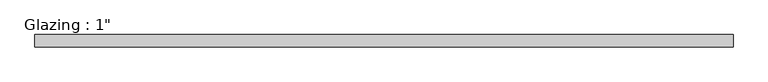
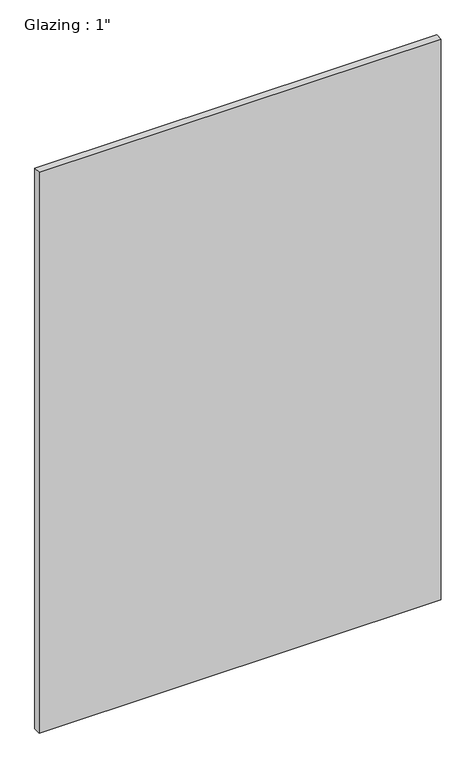
"""IFC4 building model written with IfcOpenShell, lengths in millimetres: plate geometry."""

from ifc_helpers import new_model, si_unit, origin, origin_with_axes, place, context, project, spatial, polyline, outline, extrude, source, transform, mapped, element, save


def plate_ad7f4a11(model_context):
    return source(origin(), model_context, "Body", "SweptSolid", [
        extrude(outline(polyline([(710.632433, -12.7), (-710.632433, -12.7), (-710.632433, 12.7), (710.632433, 12.7), (710.632433, -12.7)])), origin_with_axes(), (0.0, 0.0, 1.0), 2094.5430277),
    ])


if __name__ == "__main__":
    model = new_model("IFC4")
    model_context = context("Model", 3, world=origin())
    ifc_project = project(units=[si_unit("LENGTHUNIT", "METRE", prefix="MILLI")], contexts=[model_context])
    site = spatial("IfcSite", under=ifc_project)
    building = spatial("IfcBuilding", under=site)
    placement = place(None, origin())
    plate_shape = plate_ad7f4a11(model_context)
    element("IfcPlate", 1, ObjectType="Glazing : 1\"", at=placement, inside=building, context=model_context, shape_type="MappedRepresentation", body=[
        mapped(plate_shape, transform((0.0, 0.0, 0.0), x_axis=(1.0, 0.0, 0.0), y_axis=(0.0, 1.0, 0.0), z_axis=(0.0, 0.0, 1.0))),
    ])
    save(model, "model.ifc")
